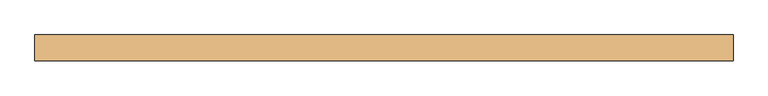
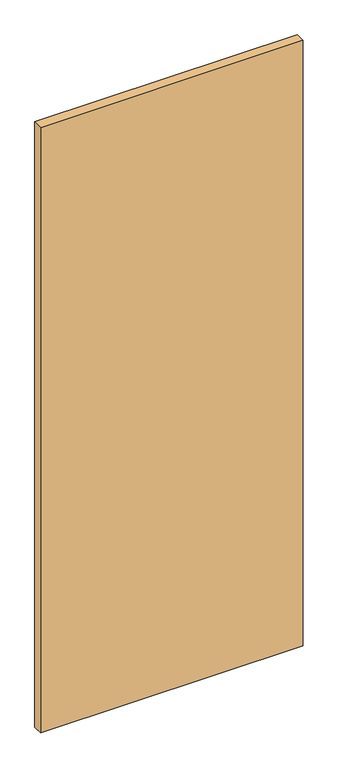
"""IFC4 building model written with IfcOpenShell, lengths in millimetres: door geometry."""

import ifcopenshell
import ifcopenshell.guid

model = None  # the IFC model being written
_history = None  # IfcOwnerHistory: only IFC2X3 demands one
_inside = {}  # id of a spatial element -> (the spatial element, [elements in it])
_under = {}  # id of a project, library or spatial element -> (it, [spatial elements below it])
_declared = {}  # id of a project -> (the project, [libraries it declares])
_typed = {}  # id of a type object -> (the type object, [elements of that type])
_made_of = {}  # id of a material, layer set ... -> (it, [elements and type objects made of it])


def new_model(schema):
    """Start an empty IFC model of exactly this schema.

    Asked for "IFC4X3", IfcOpenShell would pick the latest addendum, in which some entities
    have other attributes; the version numbers below select the first issue.
    IFC2X3 requires an IfcOwnerHistory on every rooted entity: one is made here for all.
    """
    global model, _history
    if schema == "IFC4X3":
        model = ifcopenshell.file(schema_version=(4, 3, 0, 0))
    else:
        model = ifcopenshell.file(schema=schema)
    _inside.clear()
    _under.clear()
    _declared.clear()
    _typed.clear()
    _made_of.clear()
    _history = None
    if model.schema == "IFC2X3":
        org = make("IfcOrganization", Name="unknown")
        user = make(
            "IfcPersonAndOrganization",
            ThePerson=make("IfcPerson", FamilyName="unknown"),
            TheOrganization=org,
        )
        app = make(
            "IfcApplication",
            ApplicationDeveloper=org,
            Version="unknown",
            ApplicationFullName="unknown",
            ApplicationIdentifier="unknown",
        )
        _history = make(
            "IfcOwnerHistory",
            OwningUser=user,
            OwningApplication=app,
            ChangeAction="ADDED",
            CreationDate=0,
        )
    return model


def make(cls, **values):
    """One entity of the class cls with the attributes given. An attribute that is None is left unset."""
    return model.create_entity(
        cls, **{name: value for name, value in values.items() if value is not None}
    )


def rooted(cls, **values):
    """An entity with a GlobalId (a new one), such as an element, a storey or a relation."""
    return make(cls, GlobalId=ifcopenshell.guid.new(), OwnerHistory=_history, **values)


def si_unit(unit_type, name, prefix=None):
    """IfcSIUnit, for example si_unit("LENGTHUNIT", "METRE", prefix="MILLI")."""
    return make("IfcSIUnit", UnitType=unit_type, Prefix=prefix, Name=name)


def assignment(units):
    """IfcUnitAssignment: the units of a project."""
    return None if units is None else make("IfcUnitAssignment", Units=units)


def point(xyz):
    """IfcCartesianPoint."""
    return None if xyz is None else make("IfcCartesianPoint", Coordinates=xyz)


def direction(xyz):
    """IfcDirection."""
    return None if xyz is None else make("IfcDirection", DirectionRatios=xyz)


def frame(location, z_axis=None, x_axis=None):
    """IfcAxis2Placement3D, a coordinate frame: its origin and axes. An axis left out is left unset."""
    return make(
        "IfcAxis2Placement3D",
        Location=point(location),
        Axis=direction(z_axis),
        RefDirection=direction(x_axis),
    )


def origin():
    """The frame at (0, 0, 0) with its axes left unset."""
    return frame((0.0, 0.0, 0.0))


def place(relative_to, where):
    """IfcLocalPlacement: puts the frame where relative to a parent placement (None: the world)."""
    return make(
        "IfcLocalPlacement", PlacementRelTo=relative_to, RelativePlacement=where
    )


def context(
    kind, dimensions, precision=None, world=None, true_north=None, identifier=None
):
    """IfcGeometricRepresentationContext, for example the 3D "Model" context."""
    return make(
        "IfcGeometricRepresentationContext",
        ContextIdentifier=identifier,
        ContextType=kind,
        CoordinateSpaceDimension=dimensions,
        Precision=precision,
        WorldCoordinateSystem=world,
        TrueNorth=true_north,
    )


def project(units=None, contexts=None):
    """IfcProject with its units and contexts."""
    return rooted(
        "IfcProject",
        Name="project",
        RepresentationContexts=contexts,
        UnitsInContext=assignment(units),
    )


def spatial(cls, under=None, at=None, **own):
    """A site, building, storey or space (cls), placed at a placement, below another one or the project."""
    s = rooted(cls, ObjectPlacement=at, **own)
    if under is not None:
        _under.setdefault(under.id(), (under, []))[1].append(s)
    return s


def polyline(points):
    """IfcPolyline through the points."""
    return make("IfcPolyline", Points=[point(p) for p in points])


def outline(outer, holes=None, kind="AREA"):
    """IfcArbitraryClosedProfileDef: a profile drawn as a closed curve; with holes, ...WithVoids."""
    if holes is None:
        return make("IfcArbitraryClosedProfileDef", ProfileType=kind, OuterCurve=outer)
    return make(
        "IfcArbitraryProfileDefWithVoids",
        ProfileType=kind,
        OuterCurve=outer,
        InnerCurves=holes,
    )


def extrude(swept, where, along, depth):
    """IfcExtrudedAreaSolid: the profile swept, set in the frame where, extruded along a direction by depth."""
    return make(
        "IfcExtrudedAreaSolid",
        SweptArea=swept,
        Position=where,
        ExtrudedDirection=direction(along),
        Depth=depth,
    )


def shape(context_of_items, identifier, shape_type, items):
    """IfcShapeRepresentation: the items that make up one representation, for example the "Body"."""
    return make(
        "IfcShapeRepresentation",
        ContextOfItems=context_of_items,
        RepresentationIdentifier=identifier,
        RepresentationType=shape_type,
        Items=items,
    )


def source(mapping_origin, context_of_items, identifier, shape_type, items):
    """IfcRepresentationMap: a shape defined once, which mapped items show again and again."""
    return make(
        "IfcRepresentationMap",
        MappingOrigin=mapping_origin,
        MappedRepresentation=shape(context_of_items, identifier, shape_type, items),
    )


def transform(
    local_origin,
    x_axis=None,
    y_axis=None,
    z_axis=None,
    scale=None,
    scale2=None,
    scale3=None,
    uniform=True,
):
    """IfcCartesianTransformationOperator3D, or its non-uniform kind. x_axis, y_axis, z_axis: its Axis1, 2, 3."""
    if uniform:
        return make(
            "IfcCartesianTransformationOperator3D",
            Axis1=direction(x_axis),
            Axis2=direction(y_axis),
            LocalOrigin=point(local_origin),
            Scale=scale,
            Axis3=direction(z_axis),
        )
    return make(
        "IfcCartesianTransformationOperator3DnonUniform",
        Axis1=direction(x_axis),
        Axis2=direction(y_axis),
        LocalOrigin=point(local_origin),
        Scale=scale,
        Axis3=direction(z_axis),
        Scale2=scale2,
        Scale3=scale3,
    )


def mapped(mapping_source, mapping_target):
    """IfcMappedItem: shows the shape of a source again, moved by a transform."""
    return make(
        "IfcMappedItem", MappingSource=mapping_source, MappingTarget=mapping_target
    )


def made_of(thing, what):
    """Note that an element or type object is made of a material, layer set ...; save() writes the relation."""
    if what is not None:
        _made_of.setdefault(what.id(), (what, []))[1].append(thing)
    return thing


def element(
    cls,
    number,
    at=None,
    inside=None,
    cuts=None,
    type_object=None,
    material=None,
    context=None,
    identifier="Body",
    shape_type=None,
    held_by="IfcProductDefinitionShape",
    body=None,
    shapes=None,
    **own,
):
    """One element of the class cls, such as IfcWall. Its Tag is "e" and its number.

    at: its placement. inside: the storey or other place that contains it. cuts: it is an
    opening in that element (IfcRelVoidsElement). A single representation is given by context,
    identifier, shape_type and body (its items); several are given by shapes. held_by: the class
    of the entity that holds the representations. save() writes the other relations.
    """
    e = rooted(cls, Tag="e%d" % number, ObjectPlacement=at, **own)
    if body is not None:
        shapes = [shape(context, identifier, shape_type, body)]
    if shapes is not None:
        e.Representation = make(held_by, Representations=shapes)
    if inside is not None:
        _inside.setdefault(inside.id(), (inside, []))[1].append(e)
    if cuts is not None:
        rooted(
            "IfcRelVoidsElement", RelatingBuildingElement=cuts, RelatedOpeningElement=e
        )
    if type_object is not None:
        _typed.setdefault(type_object.id(), (type_object, []))[1].append(e)
    return made_of(e, material)


def aggregate(whole, parts):
    """IfcRelAggregates: a whole, such as a stair, and the parts it consists of."""
    return rooted("IfcRelAggregates", RelatingObject=whole, RelatedObjects=parts)


def save(model, path):
    """Write the relations noted so far, then the file.

    IfcRelAggregates (storeys below a building ...), IfcRelContainedInSpatialStructure (elements
    in a storey), IfcRelDefinesByType, IfcRelAssociatesMaterial and IfcRelDeclares: one each for
    every whole, place, type object, material and project.
    """
    for whole, parts in _under.values():
        aggregate(whole, parts)
    for where, things in _inside.values():
        rooted(
            "IfcRelContainedInSpatialStructure",
            RelatedElements=things,
            RelatingStructure=where,
        )
    for kind, things in _typed.values():
        rooted("IfcRelDefinesByType", RelatedObjects=things, RelatingType=kind)
    for what, things in _made_of.values():
        rooted("IfcRelAssociatesMaterial", RelatedObjects=things, RelatingMaterial=what)
    for by, libraries in _declared.values():
        rooted("IfcRelDeclares", RelatingContext=by, RelatedDefinitions=libraries)
    model.write(path)


def door_1f68eb78(model_context):
    return source(origin(), model_context, "Body", "SweptSolid", [
        extrude(outline(polyline([(541.0, -20.0), (-541.0, -20.0), (-541.0, 20.0), (541.0, 20.0), (541.0, -20.0)])), frame((0.0, 0.0, 10.0), z_axis=(0.0, 0.0, 1.0), x_axis=(1.0, 0.0, 0.0)), (0.0, 0.0, 1.0), 2636.0),
    ])


if __name__ == "__main__":
    model = new_model("IFC4")
    model_context = context("Model", 3, world=origin())
    ifc_project = project(units=[si_unit("LENGTHUNIT", "METRE", prefix="MILLI")], contexts=[model_context])
    site = spatial("IfcSite", under=ifc_project)
    building = spatial("IfcBuilding", under=site)
    placement = place(None, origin())
    door_shape = door_1f68eb78(model_context)
    element("IfcDoor", 1, at=placement, inside=building, context=model_context, shape_type="MappedRepresentation", body=[
        mapped(door_shape, transform((0.0, 0.0, 0.0), x_axis=(1.0, 0.0, 0.0), y_axis=(0.0, 1.0, 0.0), z_axis=(0.0, 0.0, 1.0))),
    ])
    save(model, "model.ifc")
